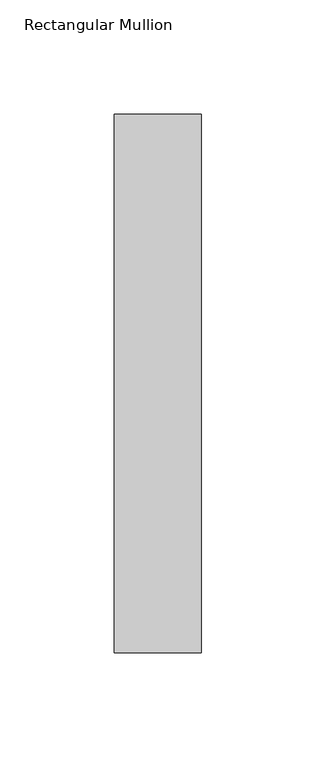
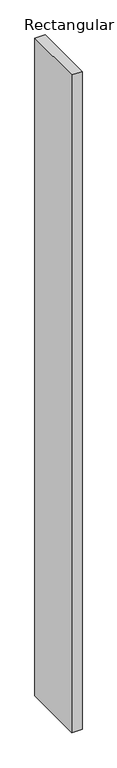
"""IFC4 building model written with IfcOpenShell, lengths in millimetres: member geometry, Rectangular Mullion."""

from ifc_helpers import new_model, si_unit, frame, origin, place, context, project, spatial, polyline, outline, extrude, source, transform, mapped, element, save


def rectangular_mullion_d387c093(model_context):
    return source(origin(), model_context, "Body", "SweptSolid", [
        extrude(outline(polyline([(19.0, 0.0), (19.0, -235.0), (-19.0, -235.0), (-19.0, 0.0), (19.0, 0.0)])), frame((0.0, 0.0, -2562.0), z_axis=(0.0, 0.0, 1.0), x_axis=(1.0, 0.0, 0.0)), (0.0, 0.0, 1.0), 2562.0),
    ])


if __name__ == "__main__":
    model = new_model("IFC4")
    model_context = context("Model", 3, world=origin())
    ifc_project = project(units=[si_unit("LENGTHUNIT", "METRE", prefix="MILLI")], contexts=[model_context])
    site = spatial("IfcSite", under=ifc_project)
    building = spatial("IfcBuilding", under=site)
    placement = place(None, origin())
    rectangular_mullion_shape = rectangular_mullion_d387c093(model_context)
    element("IfcMember", 1, ObjectType="Rectangular Mullion", at=placement, inside=building, context=model_context, shape_type="MappedRepresentation", body=[
        mapped(rectangular_mullion_shape, transform((0.0, 0.0, 0.0), x_axis=(1.0, 0.0, 0.0), y_axis=(0.0, 1.0, 0.0), z_axis=(0.0, 0.0, 1.0))),
    ])
    save(model, "model.ifc")
